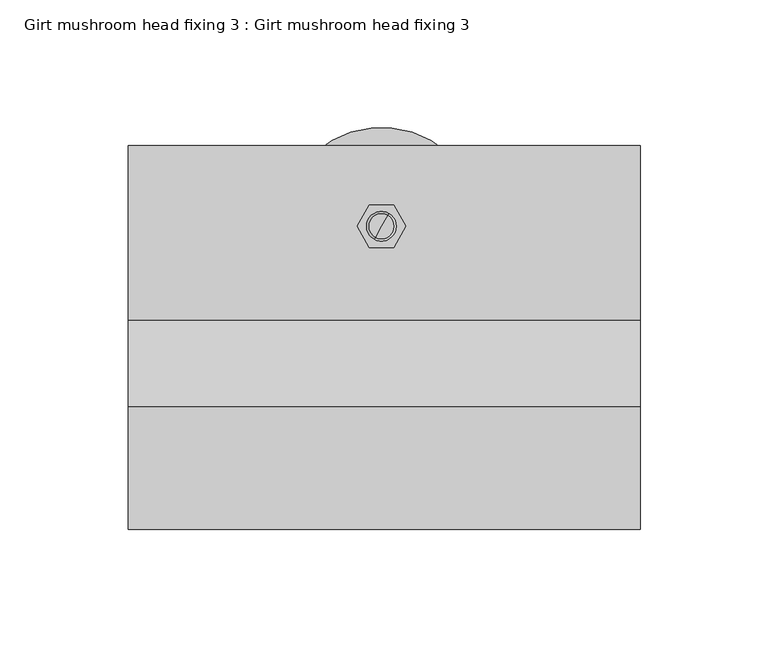
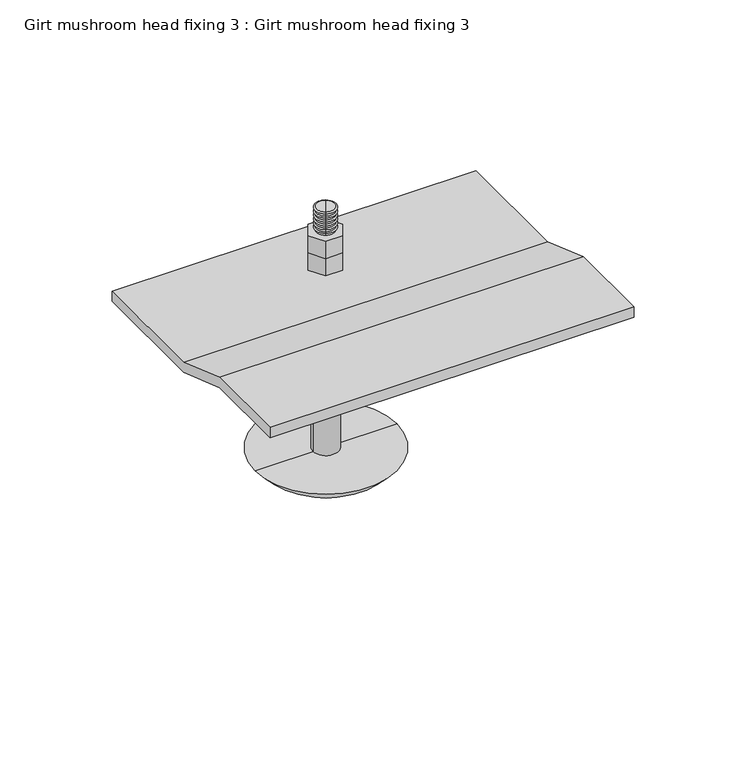
"""IFC4 building model written with IfcOpenShell, lengths in millimetres: proxy geometry, Girt mushroom head fixing 3 : Girt mushroom head fixing 3."""

from ifc_helpers import new_model, si_unit, point, frame, origin, place, context, project, spatial, polyline, circle_curve, ellipse_curve, trimmed, outline, extrude, source, transform, mapped, element, save
from ifc_brep_helpers import plane_surface, cylinder_surface, revolved_surface, advanced_brep


def girt_mushroom_head_fixing_3_girt_mushroom_head_fixing_3_af693da6(model_context):
    return source(origin(), model_context, "Body", "SolidModel", [
        extrude(outline(polyline([(43.75, -8.8923048), (34.25, -8.8923048), (29.5, -0.6650635), (34.25, 7.5621778), (43.75, 7.5621778), (48.5, -0.6650635), (43.75, -8.8923048)])), frame((0.0, 0.0, 16.0), z_axis=(0.0, 0.0, 1.0), x_axis=(1.0, 0.0, 0.0)), (0.0, 0.0, 1.0), 10.0),
        extrude(outline(polyline([(43.75, -8.8923048), (34.25, -8.8923048), (29.5, -0.6650635), (34.25, 7.5621778), (43.75, 7.5621778), (48.5, -0.6650635), (43.75, -8.8923048)])), frame((0.0, 0.0, 6.0), z_axis=(0.0, 0.0, 1.0), x_axis=(1.0, 0.0, 0.0)), (0.0, 0.0, 1.0), 10.0),
        advanced_brep(
        [(41.9059458, 4.3681823, 39.2693613), (36.0940542, -5.6983094, 39.2693613), (36.5, -4.9951905, 39.791923), (41.5, 3.6650635, 39.791923), (41.5, 3.6650635, 38.8006155), (36.5, -4.9951905, 38.8006155), (41.5, 3.6650635, 37.5216556), (36.5, -4.9951905, 37.5216556), (41.9059458, 4.3681823, 36.9990939), (36.0940542, -5.6983094, 36.9990939), (41.5, 3.6650635, 36.5303481), (36.5, -4.9951905, 36.5303481), (41.5, 3.6650635, 35.2513882), (36.5, -4.9951905, 35.2513882), (41.9059458, 4.3681823, 34.7288265), (36.0940542, -5.6983094, 34.7288265), (41.5, 3.6650635, 34.2600807), (36.5, -4.9951905, 34.2600807), (41.5, 3.6650635, 32.9811208), (36.5, -4.9951905, 32.9811208), (41.9059458, 4.3681823, 32.4585591), (36.0940542, -5.6983094, 32.4585591), (41.5, 3.6650635, 31.9898132), (36.5, -4.9951905, 31.9898132), (41.5, 3.6650635, 30.7108534), (36.5, -4.9951905, 30.7108534), (41.9059458, 4.3681823, 30.1882917), (36.0940542, -5.6983094, 30.1882917), (41.5, 3.6650635, 29.7195458), (36.5, -4.9951905, 29.7195458), (41.5, 3.6650635, 28.440586), (36.5, -4.9951905, 28.440586), (41.9059458, 4.3681823, 27.9180243), (36.0940542, -5.6983094, 27.9180243), (41.5, 3.6650635, 27.4492784), (36.5, -4.9951905, 27.4492784), (41.5, 3.6650635, 26.1703186), (36.5, -4.9951905, 26.1703186), (41.9059458, 4.3681823, 25.6477569), (36.0940542, -5.6983094, 25.6477569), (41.5, 3.6650635, 25.179011), (36.5, -4.9951905, 25.179011), (41.5, 3.6650635, 23.9000512), (36.5, -4.9951905, 23.9000512), (41.9059458, 4.3681823, 23.3774895), (36.0940542, -5.6983094, 23.3774895), (41.5, 3.6650635, 22.9087436), (36.5, -4.9951905, 22.9087436), (41.5, 3.6650635, 21.6297838), (36.5, -4.9951905, 21.6297838), (41.9059458, 4.3681823, 21.1072221), (36.0940542, -5.6983094, 21.1072221), (41.5, 3.6650635, 20.6384762), (36.5, -4.9951905, 20.6384762), (41.5, 3.6650635, 19.3595164), (36.5, -4.9951905, 19.3595164), (41.9059458, 4.3681823, 18.8369547), (36.0940542, -5.6983094, 18.8369547), (41.5, 3.6650635, 18.3682088), (36.5, -4.9951905, 18.3682088), (41.5, 3.6650635, 17.089249), (36.5, -4.9951905, 17.089249), (41.9059458, 4.3681823, 16.5666873), (36.0940542, -5.6983094, 16.5666873), (41.5, 3.6650635, 16.0979414), (36.5, -4.9951905, 16.0979414), (41.5, 3.6650635, 14.8189816), (36.5, -4.9951905, 14.8189816), (41.9059458, 4.3681823, 14.2964199), (36.0940542, -5.6983094, 14.2964199), (41.5, 3.6650635, 13.827674), (36.5, -4.9951905, 13.827674), (41.5, 3.6650635, 12.5487142), (36.5, -4.9951905, 12.5487142), (41.9059458, 4.3681823, 12.0261525), (36.0940542, -5.6983094, 12.0261525), (41.5, 3.6650635, 11.5574066), (36.5, -4.9951905, 11.5574066), (41.5, 3.6650635, 10.2784468), (36.5, -4.9951905, 10.2784468), (41.9059458, 4.3681823, 9.7558851), (36.0940542, -5.6983094, 9.7558851), (39.0, -0.6650635, 39.791923), (41.5, 3.6650635, 9.2871392), (36.5, -4.9951905, 9.2871392), (41.5, 3.6650635, 8.0081794), (36.5, -4.9951905, 8.0081794), (41.9059458, 4.3681823, 7.4856177), (36.0940542, -5.6983094, 7.4856177), (41.5, 3.6650635, 7.0168718), (36.5, -4.9951905, 7.0168718), (41.5, 3.6650635, 5.737912), (36.5, -4.9951905, 5.737912), (41.9059458, 4.3681823, 5.2153503), (36.0940542, -5.6983094, 5.2153503), (41.5, 3.6650635, 4.7466044), (36.5, -4.9951905, 4.7466044), (41.5, 3.6650635, 3.4676446), (36.5, -4.9951905, 3.4676446), (41.9059458, 4.3681823, 2.9450829), (36.0940542, -5.6983094, 2.9450829), (41.5, 3.6650635, 2.476337), (36.5, -4.9951905, 2.476337), (41.5, 3.6650635, 1.1973772), (36.5, -4.9951905, 1.1973772), (41.9059458, 4.3681823, 0.6748155), (36.0940542, -5.6983094, 0.6748155), (41.5, 3.6650635, 0.2060696), (36.5, -4.9951905, 0.2060696), (41.5, 3.6650635, -1.0728902), (36.5, -4.9951905, -1.0728902), (41.9059458, 4.3681823, -1.5954519), (36.0940542, -5.6983094, -1.5954519), (41.5, 3.6650635, -2.0641978), (36.5, -4.9951905, -2.0641978), (41.5, 3.6650635, -3.3431576), (36.5, -4.9951905, -3.3431576), (41.9059458, 4.3681823, -3.8657193), (36.0940542, -5.6983094, -3.8657193), (41.5, 3.6650635, -4.3344652), (36.5, -4.9951905, -4.3344652), (41.5, 3.6650635, -5.613425), (36.5, -4.9951905, -5.613425), (41.9059458, 4.3681823, -6.1359867), (36.0940542, -5.6983094, -6.1359867), (41.5, 3.6650635, -6.6047326), (36.5, -4.9951905, -6.6047326), (41.5, 3.6650635, -7.8836924), (36.5, -4.9951905, -7.8836924), (41.9059458, 4.3681823, -8.4062541), (36.0940542, -5.6983094, -8.4062541), (41.5, 3.6650635, -8.875), (36.5, -4.9951905, -8.875), (39.0, -0.6650635, -8.875)],
        [
            (0, 1, circle_curve(frame((39.0, -0.6650635, 39.2693613), z_axis=(0.0, 0.0, 1.0), x_axis=(-0.5000000000000034, -0.8660254037844367, 0.0)), 5.8118917)),
            (1, 2),
            (2, 3, circle_curve(frame((39.0, -0.6650635, 39.791923), z_axis=(0.0, 0.0, -1.0), x_axis=(-0.5000000000000034, -0.8660254037844367, 0.0)), 5.0)),
            (3, 0),
            (1, 0, circle_curve(frame((39.0, -0.6650635, 39.2693613), z_axis=(0.0, 0.0, 1.0), x_axis=(-0.5000000000000034, -0.8660254037844367, 0.0)), 5.8118917)),
            (3, 2, circle_curve(frame((39.0, -0.6650635, 39.791923), z_axis=(0.0, 0.0, -1.0), x_axis=(-0.5000000000000034, -0.8660254037844367, 0.0)), 5.0)),
            (4, 5, circle_curve(frame((39.0, -0.6650635, 38.8006155), z_axis=(0.0, 0.0, 1.0), x_axis=(-0.5000000000000034, -0.8660254037844367, 0.0)), 5.0)),
            (5, 1),
            (0, 4),
            (5, 4, circle_curve(frame((39.0, -0.6650635, 38.8006155), z_axis=(0.0, 0.0, 1.0), x_axis=(-0.5000000000000034, -0.8660254037844367, 0.0)), 5.0)),
            (6, 7, circle_curve(frame((39.0, -0.6650635, 37.5216556), z_axis=(0.0, 0.0, 1.0), x_axis=(-0.5000000000000034, -0.8660254037844367, 0.0)), 5.0)),
            (7, 5),
            (4, 6),
            (7, 6, circle_curve(frame((39.0, -0.6650635, 37.5216556), z_axis=(0.0, 0.0, 1.0), x_axis=(-0.5000000000000034, -0.8660254037844367, 0.0)), 5.0)),
            (8, 9, circle_curve(frame((39.0, -0.6650635, 36.9990939), z_axis=(0.0, 0.0, 1.0), x_axis=(-0.5000000000000034, -0.8660254037844367, 0.0)), 5.8118917)),
            (9, 7),
            (6, 8),
            (9, 8, circle_curve(frame((39.0, -0.6650635, 36.9990939), z_axis=(0.0, 0.0, 1.0), x_axis=(-0.5000000000000034, -0.8660254037844367, 0.0)), 5.8118917)),
            (10, 11, circle_curve(frame((39.0, -0.6650635, 36.5303481), z_axis=(0.0, 0.0, 1.0), x_axis=(-0.5000000000000034, -0.8660254037844367, 0.0)), 5.0)),
            (11, 9),
            (8, 10),
            (11, 10, circle_curve(frame((39.0, -0.6650635, 36.5303481), z_axis=(0.0, 0.0, 1.0), x_axis=(-0.5000000000000034, -0.8660254037844367, 0.0)), 5.0)),
            (12, 13, circle_curve(frame((39.0, -0.6650635, 35.2513882), z_axis=(0.0, 0.0, 1.0), x_axis=(-0.5000000000000034, -0.8660254037844367, 0.0)), 5.0)),
            (13, 11),
            (10, 12),
            (13, 12, circle_curve(frame((39.0, -0.6650635, 35.2513882), z_axis=(0.0, 0.0, 1.0), x_axis=(-0.5000000000000034, -0.8660254037844367, 0.0)), 5.0)),
            (14, 15, circle_curve(frame((39.0, -0.6650635, 34.7288265), z_axis=(0.0, 0.0, 1.0), x_axis=(-0.5000000000000034, -0.8660254037844367, 0.0)), 5.8118917)),
            (15, 13),
            (12, 14),
            (15, 14, circle_curve(frame((39.0, -0.6650635, 34.7288265), z_axis=(0.0, 0.0, 1.0), x_axis=(-0.5000000000000034, -0.8660254037844367, 0.0)), 5.8118917)),
            (16, 17, circle_curve(frame((39.0, -0.6650635, 34.2600807), z_axis=(0.0, 0.0, 1.0), x_axis=(-0.5000000000000034, -0.8660254037844367, 0.0)), 5.0)),
            (17, 15),
            (14, 16),
            (17, 16, circle_curve(frame((39.0, -0.6650635, 34.2600807), z_axis=(0.0, 0.0, 1.0), x_axis=(-0.5000000000000034, -0.8660254037844367, 0.0)), 5.0)),
            (18, 19, circle_curve(frame((39.0, -0.6650635, 32.9811208), z_axis=(0.0, 0.0, 1.0), x_axis=(-0.5000000000000034, -0.8660254037844367, 0.0)), 5.0)),
            (19, 17),
            (16, 18),
            (19, 18, circle_curve(frame((39.0, -0.6650635, 32.9811208), z_axis=(0.0, 0.0, 1.0), x_axis=(-0.5000000000000034, -0.8660254037844367, 0.0)), 5.0)),
            (20, 21, circle_curve(frame((39.0, -0.6650635, 32.4585591), z_axis=(0.0, 0.0, 1.0), x_axis=(-0.5000000000000034, -0.8660254037844367, 0.0)), 5.8118917)),
            (21, 19),
            (18, 20),
            (21, 20, circle_curve(frame((39.0, -0.6650635, 32.4585591), z_axis=(0.0, 0.0, 1.0), x_axis=(-0.5000000000000034, -0.8660254037844367, 0.0)), 5.8118917)),
            (22, 23, circle_curve(frame((39.0, -0.6650635, 31.9898132), z_axis=(0.0, 0.0, 1.0), x_axis=(-0.5000000000000034, -0.8660254037844367, 0.0)), 5.0)),
            (23, 21),
            (20, 22),
            (23, 22, circle_curve(frame((39.0, -0.6650635, 31.9898132), z_axis=(0.0, 0.0, 1.0), x_axis=(-0.5000000000000034, -0.8660254037844367, 0.0)), 5.0)),
            (24, 25, circle_curve(frame((39.0, -0.6650635, 30.7108534), z_axis=(0.0, 0.0, 1.0), x_axis=(-0.5000000000000034, -0.8660254037844367, 0.0)), 5.0)),
            (25, 23),
            (22, 24),
            (25, 24, circle_curve(frame((39.0, -0.6650635, 30.7108534), z_axis=(0.0, 0.0, 1.0), x_axis=(-0.5000000000000034, -0.8660254037844367, 0.0)), 5.0)),
            (26, 27, circle_curve(frame((39.0, -0.6650635, 30.1882917), z_axis=(0.0, 0.0, 1.0), x_axis=(-0.5000000000000034, -0.8660254037844367, 0.0)), 5.8118917)),
            (27, 25),
            (24, 26),
            (27, 26, circle_curve(frame((39.0, -0.6650635, 30.1882917), z_axis=(0.0, 0.0, 1.0), x_axis=(-0.5000000000000034, -0.8660254037844367, 0.0)), 5.8118917)),
            (28, 29, circle_curve(frame((39.0, -0.6650635, 29.7195458), z_axis=(0.0, 0.0, 1.0), x_axis=(-0.5000000000000034, -0.8660254037844367, 0.0)), 5.0)),
            (29, 27),
            (26, 28),
            (29, 28, circle_curve(frame((39.0, -0.6650635, 29.7195458), z_axis=(0.0, 0.0, 1.0), x_axis=(-0.5000000000000034, -0.8660254037844367, 0.0)), 5.0)),
            (30, 31, circle_curve(frame((39.0, -0.6650635, 28.440586), z_axis=(0.0, 0.0, 1.0), x_axis=(-0.5000000000000034, -0.8660254037844367, 0.0)), 5.0)),
            (31, 29),
            (28, 30),
            (31, 30, circle_curve(frame((39.0, -0.6650635, 28.440586), z_axis=(0.0, 0.0, 1.0), x_axis=(-0.5000000000000034, -0.8660254037844367, 0.0)), 5.0)),
            (32, 33, circle_curve(frame((39.0, -0.6650635, 27.9180243), z_axis=(0.0, 0.0, 1.0), x_axis=(-0.5000000000000034, -0.8660254037844367, 0.0)), 5.8118917)),
            (33, 31),
            (30, 32),
            (33, 32, circle_curve(frame((39.0, -0.6650635, 27.9180243), z_axis=(0.0, 0.0, 1.0), x_axis=(-0.5000000000000034, -0.8660254037844367, 0.0)), 5.8118917)),
            (34, 35, circle_curve(frame((39.0, -0.6650635, 27.4492784), z_axis=(0.0, 0.0, 1.0), x_axis=(-0.5000000000000034, -0.8660254037844367, 0.0)), 5.0)),
            (35, 33),
            (32, 34),
            (35, 34, circle_curve(frame((39.0, -0.6650635, 27.4492784), z_axis=(0.0, 0.0, 1.0), x_axis=(-0.5000000000000034, -0.8660254037844367, 0.0)), 5.0)),
            (36, 37, circle_curve(frame((39.0, -0.6650635, 26.1703186), z_axis=(0.0, 0.0, 1.0), x_axis=(-0.5000000000000034, -0.8660254037844367, 0.0)), 5.0)),
            (37, 35),
            (34, 36),
            (37, 36, circle_curve(frame((39.0, -0.6650635, 26.1703186), z_axis=(0.0, 0.0, 1.0), x_axis=(-0.5000000000000034, -0.8660254037844367, 0.0)), 5.0)),
            (38, 39, circle_curve(frame((39.0, -0.6650635, 25.6477569), z_axis=(0.0, 0.0, 1.0), x_axis=(-0.5000000000000034, -0.8660254037844367, 0.0)), 5.8118917)),
            (39, 37),
            (36, 38),
            (39, 38, circle_curve(frame((39.0, -0.6650635, 25.6477569), z_axis=(0.0, 0.0, 1.0), x_axis=(-0.5000000000000034, -0.8660254037844367, 0.0)), 5.8118917)),
            (40, 41, circle_curve(frame((39.0, -0.6650635, 25.179011), z_axis=(0.0, 0.0, 1.0), x_axis=(-0.5000000000000034, -0.8660254037844367, 0.0)), 5.0)),
            (41, 39),
            (38, 40),
            (41, 40, circle_curve(frame((39.0, -0.6650635, 25.179011), z_axis=(0.0, 0.0, 1.0), x_axis=(-0.5000000000000034, -0.8660254037844367, 0.0)), 5.0)),
            (42, 43, circle_curve(frame((39.0, -0.6650635, 23.9000512), z_axis=(0.0, 0.0, 1.0), x_axis=(-0.5000000000000034, -0.8660254037844367, 0.0)), 5.0)),
            (43, 41),
            (40, 42),
            (43, 42, circle_curve(frame((39.0, -0.6650635, 23.9000512), z_axis=(0.0, 0.0, 1.0), x_axis=(-0.5000000000000034, -0.8660254037844367, 0.0)), 5.0)),
            (44, 45, circle_curve(frame((39.0, -0.6650635, 23.3774895), z_axis=(0.0, 0.0, 1.0), x_axis=(-0.5000000000000034, -0.8660254037844367, 0.0)), 5.8118917)),
            (45, 43),
            (42, 44),
            (45, 44, circle_curve(frame((39.0, -0.6650635, 23.3774895), z_axis=(0.0, 0.0, 1.0), x_axis=(-0.5000000000000034, -0.8660254037844367, 0.0)), 5.8118917)),
            (46, 47, circle_curve(frame((39.0, -0.6650635, 22.9087436), z_axis=(0.0, 0.0, 1.0), x_axis=(-0.5000000000000034, -0.8660254037844367, 0.0)), 5.0)),
            (47, 45),
            (44, 46),
            (47, 46, circle_curve(frame((39.0, -0.6650635, 22.9087436), z_axis=(0.0, 0.0, 1.0), x_axis=(-0.5000000000000034, -0.8660254037844367, 0.0)), 5.0)),
            (48, 49, circle_curve(frame((39.0, -0.6650635, 21.6297838), z_axis=(0.0, 0.0, 1.0), x_axis=(-0.5000000000000034, -0.8660254037844367, 0.0)), 5.0)),
            (49, 47),
            (46, 48),
            (49, 48, circle_curve(frame((39.0, -0.6650635, 21.6297838), z_axis=(0.0, 0.0, 1.0), x_axis=(-0.5000000000000034, -0.8660254037844367, 0.0)), 5.0)),
            (50, 51, circle_curve(frame((39.0, -0.6650635, 21.1072221), z_axis=(0.0, 0.0, 1.0), x_axis=(-0.5000000000000034, -0.8660254037844367, 0.0)), 5.8118917)),
            (51, 49),
            (48, 50),
            (51, 50, circle_curve(frame((39.0, -0.6650635, 21.1072221), z_axis=(0.0, 0.0, 1.0), x_axis=(-0.5000000000000034, -0.8660254037844367, 0.0)), 5.8118917)),
            (52, 53, circle_curve(frame((39.0, -0.6650635, 20.6384762), z_axis=(0.0, 0.0, 1.0), x_axis=(-0.5000000000000034, -0.8660254037844367, 0.0)), 5.0)),
            (53, 51),
            (50, 52),
            (53, 52, circle_curve(frame((39.0, -0.6650635, 20.6384762), z_axis=(0.0, 0.0, 1.0), x_axis=(-0.5000000000000034, -0.8660254037844367, 0.0)), 5.0)),
            (54, 55, circle_curve(frame((39.0, -0.6650635, 19.3595164), z_axis=(0.0, 0.0, 1.0), x_axis=(-0.5000000000000034, -0.8660254037844367, 0.0)), 5.0)),
            (55, 53),
            (52, 54),
            (55, 54, circle_curve(frame((39.0, -0.6650635, 19.3595164), z_axis=(0.0, 0.0, 1.0), x_axis=(-0.5000000000000034, -0.8660254037844367, 0.0)), 5.0)),
            (56, 57, circle_curve(frame((39.0, -0.6650635, 18.8369547), z_axis=(0.0, 0.0, 1.0), x_axis=(-0.5000000000000034, -0.8660254037844367, 0.0)), 5.8118917)),
            (57, 55),
            (54, 56),
            (57, 56, circle_curve(frame((39.0, -0.6650635, 18.8369547), z_axis=(0.0, 0.0, 1.0), x_axis=(-0.5000000000000034, -0.8660254037844367, 0.0)), 5.8118917)),
            (58, 59, circle_curve(frame((39.0, -0.6650635, 18.3682088), z_axis=(0.0, 0.0, 1.0), x_axis=(-0.5000000000000034, -0.8660254037844367, 0.0)), 5.0)),
            (59, 57),
            (56, 58),
            (59, 58, circle_curve(frame((39.0, -0.6650635, 18.3682088), z_axis=(0.0, 0.0, 1.0), x_axis=(-0.5000000000000034, -0.8660254037844367, 0.0)), 5.0)),
            (60, 61, circle_curve(frame((39.0, -0.6650635, 17.089249), z_axis=(0.0, 0.0, 1.0), x_axis=(-0.5000000000000034, -0.8660254037844367, 0.0)), 5.0)),
            (61, 59),
            (58, 60),
            (61, 60, circle_curve(frame((39.0, -0.6650635, 17.089249), z_axis=(0.0, 0.0, 1.0), x_axis=(-0.5000000000000034, -0.8660254037844367, 0.0)), 5.0)),
            (62, 63, circle_curve(frame((39.0, -0.6650635, 16.5666873), z_axis=(0.0, 0.0, 1.0), x_axis=(-0.5000000000000034, -0.8660254037844367, 0.0)), 5.8118917)),
            (63, 61),
            (60, 62),
            (63, 62, circle_curve(frame((39.0, -0.6650635, 16.5666873), z_axis=(0.0, 0.0, 1.0), x_axis=(-0.5000000000000034, -0.8660254037844367, 0.0)), 5.8118917)),
            (64, 65, circle_curve(frame((39.0, -0.6650635, 16.0979414), z_axis=(0.0, 0.0, 1.0), x_axis=(-0.5000000000000034, -0.8660254037844367, 0.0)), 5.0)),
            (65, 63),
            (62, 64),
            (65, 64, circle_curve(frame((39.0, -0.6650635, 16.0979414), z_axis=(0.0, 0.0, 1.0), x_axis=(-0.5000000000000034, -0.8660254037844367, 0.0)), 5.0)),
            (66, 67, circle_curve(frame((39.0, -0.6650635, 14.8189816), z_axis=(0.0, 0.0, 1.0), x_axis=(-0.5000000000000034, -0.8660254037844367, 0.0)), 5.0)),
            (67, 65),
            (64, 66),
            (67, 66, circle_curve(frame((39.0, -0.6650635, 14.8189816), z_axis=(0.0, 0.0, 1.0), x_axis=(-0.5000000000000034, -0.8660254037844367, 0.0)), 5.0)),
            (68, 69, circle_curve(frame((39.0, -0.6650635, 14.2964199), z_axis=(0.0, 0.0, 1.0), x_axis=(-0.5000000000000034, -0.8660254037844367, 0.0)), 5.8118917)),
            (69, 67),
            (66, 68),
            (69, 68, circle_curve(frame((39.0, -0.6650635, 14.2964199), z_axis=(0.0, 0.0, 1.0), x_axis=(-0.5000000000000034, -0.8660254037844367, 0.0)), 5.8118917)),
            (70, 71, circle_curve(frame((39.0, -0.6650635, 13.827674), z_axis=(0.0, 0.0, 1.0), x_axis=(-0.5000000000000034, -0.8660254037844367, 0.0)), 5.0)),
            (71, 69),
            (68, 70),
            (71, 70, circle_curve(frame((39.0, -0.6650635, 13.827674), z_axis=(0.0, 0.0, 1.0), x_axis=(-0.5000000000000034, -0.8660254037844367, 0.0)), 5.0)),
            (72, 73, circle_curve(frame((39.0, -0.6650635, 12.5487142), z_axis=(0.0, 0.0, 1.0), x_axis=(-0.5000000000000034, -0.8660254037844367, 0.0)), 5.0)),
            (73, 71),
            (70, 72),
            (73, 72, circle_curve(frame((39.0, -0.6650635, 12.5487142), z_axis=(0.0, 0.0, 1.0), x_axis=(-0.5000000000000034, -0.8660254037844367, 0.0)), 5.0)),
            (74, 75, circle_curve(frame((39.0, -0.6650635, 12.0261525), z_axis=(0.0, 0.0, 1.0), x_axis=(-0.5000000000000034, -0.8660254037844367, 0.0)), 5.8118917)),
            (75, 73),
            (72, 74),
            (75, 74, circle_curve(frame((39.0, -0.6650635, 12.0261525), z_axis=(0.0, 0.0, 1.0), x_axis=(-0.5000000000000034, -0.8660254037844367, 0.0)), 5.8118917)),
            (76, 77, circle_curve(frame((39.0, -0.6650635, 11.5574066), z_axis=(0.0, 0.0, 1.0), x_axis=(-0.5000000000000034, -0.8660254037844367, 0.0)), 5.0)),
            (77, 75),
            (74, 76),
            (77, 76, circle_curve(frame((39.0, -0.6650635, 11.5574066), z_axis=(0.0, 0.0, 1.0), x_axis=(-0.5000000000000034, -0.8660254037844367, 0.0)), 5.0)),
            (78, 79, circle_curve(frame((39.0, -0.6650635, 10.2784468), z_axis=(0.0, 0.0, 1.0), x_axis=(-0.5000000000000034, -0.8660254037844367, 0.0)), 5.0)),
            (79, 77),
            (76, 78),
            (79, 78, circle_curve(frame((39.0, -0.6650635, 10.2784468), z_axis=(0.0, 0.0, 1.0), x_axis=(-0.5000000000000034, -0.8660254037844367, 0.0)), 5.0)),
            (80, 81, circle_curve(frame((39.0, -0.6650635, 9.7558851), z_axis=(0.0, 0.0, 1.0), x_axis=(-0.5000000000000034, -0.8660254037844367, 0.0)), 5.8118917)),
            (81, 79),
            (78, 80),
            (81, 80, circle_curve(frame((39.0, -0.6650635, 9.7558851), z_axis=(0.0, 0.0, 1.0), x_axis=(-0.5000000000000034, -0.8660254037844367, 0.0)), 5.8118917)),
            (2, 82),
            (82, 3),
            (83, 84, circle_curve(frame((39.0, -0.6650635, 9.2871392), z_axis=(0.0, 0.0, 1.0), x_axis=(-0.5000000000000034, -0.8660254037844367, 0.0)), 5.0)),
            (84, 81),
            (80, 83),
            (84, 83, circle_curve(frame((39.0, -0.6650635, 9.2871392), z_axis=(0.0, 0.0, 1.0), x_axis=(-0.5000000000000034, -0.8660254037844367, 0.0)), 5.0)),
            (85, 86, circle_curve(frame((39.0, -0.6650635, 8.0081794), z_axis=(0.0, 0.0, 1.0), x_axis=(-0.5000000000000034, -0.8660254037844367, 0.0)), 5.0)),
            (86, 84),
            (83, 85),
            (86, 85, circle_curve(frame((39.0, -0.6650635, 8.0081794), z_axis=(0.0, 0.0, 1.0), x_axis=(-0.5000000000000034, -0.8660254037844367, 0.0)), 5.0)),
            (87, 88, circle_curve(frame((39.0, -0.6650635, 7.4856177), z_axis=(0.0, 0.0, 1.0), x_axis=(-0.5000000000000034, -0.8660254037844367, 0.0)), 5.8118917)),
            (88, 86),
            (85, 87),
            (88, 87, circle_curve(frame((39.0, -0.6650635, 7.4856177), z_axis=(0.0, 0.0, 1.0), x_axis=(-0.5000000000000034, -0.8660254037844367, 0.0)), 5.8118917)),
            (89, 90, circle_curve(frame((39.0, -0.6650635, 7.0168718), z_axis=(0.0, 0.0, 1.0), x_axis=(-0.5000000000000034, -0.8660254037844367, 0.0)), 5.0)),
            (90, 88),
            (87, 89),
            (90, 89, circle_curve(frame((39.0, -0.6650635, 7.0168718), z_axis=(0.0, 0.0, 1.0), x_axis=(-0.5000000000000034, -0.8660254037844367, 0.0)), 5.0)),
            (91, 92, circle_curve(frame((39.0, -0.6650635, 5.737912), z_axis=(0.0, 0.0, 1.0), x_axis=(-0.5000000000000034, -0.8660254037844367, 0.0)), 5.0)),
            (92, 90),
            (89, 91),
            (92, 91, circle_curve(frame((39.0, -0.6650635, 5.737912), z_axis=(0.0, 0.0, 1.0), x_axis=(-0.5000000000000034, -0.8660254037844367, 0.0)), 5.0)),
            (93, 94, circle_curve(frame((39.0, -0.6650635, 5.2153503), z_axis=(0.0, 0.0, 1.0), x_axis=(-0.5000000000000034, -0.8660254037844367, 0.0)), 5.8118917)),
            (94, 92),
            (91, 93),
            (94, 93, circle_curve(frame((39.0, -0.6650635, 5.2153503), z_axis=(0.0, 0.0, 1.0), x_axis=(-0.5000000000000034, -0.8660254037844367, 0.0)), 5.8118917)),
            (95, 96, circle_curve(frame((39.0, -0.6650635, 4.7466044), z_axis=(0.0, 0.0, 1.0), x_axis=(-0.5000000000000034, -0.8660254037844367, 0.0)), 5.0)),
            (96, 94),
            (93, 95),
            (96, 95, circle_curve(frame((39.0, -0.6650635, 4.7466044), z_axis=(0.0, 0.0, 1.0), x_axis=(-0.5000000000000034, -0.8660254037844367, 0.0)), 5.0)),
            (97, 98, circle_curve(frame((39.0, -0.6650635, 3.4676446), z_axis=(0.0, 0.0, 1.0), x_axis=(-0.5000000000000034, -0.8660254037844367, 0.0)), 5.0)),
            (98, 96),
            (95, 97),
            (98, 97, circle_curve(frame((39.0, -0.6650635, 3.4676446), z_axis=(0.0, 0.0, 1.0), x_axis=(-0.5000000000000034, -0.8660254037844367, 0.0)), 5.0)),
            (99, 100, circle_curve(frame((39.0, -0.6650635, 2.9450829), z_axis=(0.0, 0.0, 1.0), x_axis=(-0.5000000000000034, -0.8660254037844367, 0.0)), 5.8118917)),
            (100, 98),
            (97, 99),
            (100, 99, circle_curve(frame((39.0, -0.6650635, 2.9450829), z_axis=(0.0, 0.0, 1.0), x_axis=(-0.5000000000000034, -0.8660254037844367, 0.0)), 5.8118917)),
            (101, 102, circle_curve(frame((39.0, -0.6650635, 2.476337), z_axis=(0.0, 0.0, 1.0), x_axis=(-0.5000000000000034, -0.8660254037844367, 0.0)), 5.0)),
            (102, 100),
            (99, 101),
            (102, 101, circle_curve(frame((39.0, -0.6650635, 2.476337), z_axis=(0.0, 0.0, 1.0), x_axis=(-0.5000000000000034, -0.8660254037844367, 0.0)), 5.0)),
            (103, 104, circle_curve(frame((39.0, -0.6650635, 1.1973772), z_axis=(0.0, 0.0, 1.0), x_axis=(-0.5000000000000034, -0.8660254037844367, 0.0)), 5.0)),
            (104, 102),
            (101, 103),
            (104, 103, circle_curve(frame((39.0, -0.6650635, 1.1973772), z_axis=(0.0, 0.0, 1.0), x_axis=(-0.5000000000000034, -0.8660254037844367, 0.0)), 5.0)),
            (105, 106, circle_curve(frame((39.0, -0.6650635, 0.6748155), z_axis=(0.0, 0.0, 1.0), x_axis=(-0.5000000000000034, -0.8660254037844367, 0.0)), 5.8118917)),
            (106, 104),
            (103, 105),
            (106, 105, circle_curve(frame((39.0, -0.6650635, 0.6748155), z_axis=(0.0, 0.0, 1.0), x_axis=(-0.5000000000000034, -0.8660254037844367, 0.0)), 5.8118917)),
            (107, 108, circle_curve(frame((39.0, -0.6650635, 0.2060696), z_axis=(0.0, 0.0, 1.0), x_axis=(-0.5000000000000034, -0.8660254037844367, 0.0)), 5.0)),
            (108, 106),
            (105, 107),
            (108, 107, circle_curve(frame((39.0, -0.6650635, 0.2060696), z_axis=(0.0, 0.0, 1.0), x_axis=(-0.5000000000000034, -0.8660254037844367, 0.0)), 5.0)),
            (109, 110, circle_curve(frame((39.0, -0.6650635, -1.0728902), z_axis=(0.0, 0.0, 1.0), x_axis=(-0.5000000000000034, -0.8660254037844367, 0.0)), 5.0)),
            (110, 108),
            (107, 109),
            (110, 109, circle_curve(frame((39.0, -0.6650635, -1.0728902), z_axis=(0.0, 0.0, 1.0), x_axis=(-0.5000000000000034, -0.8660254037844367, 0.0)), 5.0)),
            (111, 112, circle_curve(frame((39.0, -0.6650635, -1.5954519), z_axis=(0.0, 0.0, 1.0), x_axis=(-0.5000000000000034, -0.8660254037844367, 0.0)), 5.8118917)),
            (112, 110),
            (109, 111),
            (112, 111, circle_curve(frame((39.0, -0.6650635, -1.5954519), z_axis=(0.0, 0.0, 1.0), x_axis=(-0.5000000000000034, -0.8660254037844367, 0.0)), 5.8118917)),
            (113, 114, circle_curve(frame((39.0, -0.6650635, -2.0641978), z_axis=(0.0, 0.0, 1.0), x_axis=(-0.5000000000000034, -0.8660254037844367, 0.0)), 5.0)),
            (114, 112),
            (111, 113),
            (114, 113, circle_curve(frame((39.0, -0.6650635, -2.0641978), z_axis=(0.0, 0.0, 1.0), x_axis=(-0.5000000000000034, -0.8660254037844367, 0.0)), 5.0)),
            (115, 116, circle_curve(frame((39.0, -0.6650635, -3.3431576), z_axis=(0.0, 0.0, 1.0), x_axis=(-0.5000000000000034, -0.8660254037844367, 0.0)), 5.0)),
            (116, 114),
            (113, 115),
            (116, 115, circle_curve(frame((39.0, -0.6650635, -3.3431576), z_axis=(0.0, 0.0, 1.0), x_axis=(-0.5000000000000034, -0.8660254037844367, 0.0)), 5.0)),
            (117, 118, circle_curve(frame((39.0, -0.6650635, -3.8657193), z_axis=(0.0, 0.0, 1.0), x_axis=(-0.5000000000000034, -0.8660254037844367, 0.0)), 5.8118917)),
            (118, 116),
            (115, 117),
            (118, 117, circle_curve(frame((39.0, -0.6650635, -3.8657193), z_axis=(0.0, 0.0, 1.0), x_axis=(-0.5000000000000034, -0.8660254037844367, 0.0)), 5.8118917)),
            (119, 120, circle_curve(frame((39.0, -0.6650635, -4.3344652), z_axis=(0.0, 0.0, 1.0), x_axis=(-0.5000000000000034, -0.8660254037844367, 0.0)), 5.0)),
            (120, 118),
            (117, 119),
            (120, 119, circle_curve(frame((39.0, -0.6650635, -4.3344652), z_axis=(0.0, 0.0, 1.0), x_axis=(-0.5000000000000034, -0.8660254037844367, 0.0)), 5.0)),
            (121, 122, circle_curve(frame((39.0, -0.6650635, -5.613425), z_axis=(0.0, 0.0, 1.0), x_axis=(-0.5000000000000034, -0.8660254037844367, 0.0)), 5.0)),
            (122, 120),
            (119, 121),
            (122, 121, circle_curve(frame((39.0, -0.6650635, -5.613425), z_axis=(0.0, 0.0, 1.0), x_axis=(-0.5000000000000034, -0.8660254037844367, 0.0)), 5.0)),
            (123, 124, circle_curve(frame((39.0, -0.6650635, -6.1359867), z_axis=(0.0, 0.0, 1.0), x_axis=(-0.5000000000000034, -0.8660254037844367, 0.0)), 5.8118917)),
            (124, 122),
            (121, 123),
            (124, 123, circle_curve(frame((39.0, -0.6650635, -6.1359867), z_axis=(0.0, 0.0, 1.0), x_axis=(-0.5000000000000034, -0.8660254037844367, 0.0)), 5.8118917)),
            (125, 126, circle_curve(frame((39.0, -0.6650635, -6.6047326), z_axis=(0.0, 0.0, 1.0), x_axis=(-0.5000000000000034, -0.8660254037844367, 0.0)), 5.0)),
            (126, 124),
            (123, 125),
            (126, 125, circle_curve(frame((39.0, -0.6650635, -6.6047326), z_axis=(0.0, 0.0, 1.0), x_axis=(-0.5000000000000034, -0.8660254037844367, 0.0)), 5.0)),
            (127, 128, circle_curve(frame((39.0, -0.6650635, -7.8836924), z_axis=(0.0, 0.0, 1.0), x_axis=(-0.5000000000000034, -0.8660254037844367, 0.0)), 5.0)),
            (128, 126),
            (125, 127),
            (128, 127, circle_curve(frame((39.0, -0.6650635, -7.8836924), z_axis=(0.0, 0.0, 1.0), x_axis=(-0.5000000000000034, -0.8660254037844367, 0.0)), 5.0)),
            (129, 130, circle_curve(frame((39.0, -0.6650635, -8.4062541), z_axis=(0.0, 0.0, 1.0), x_axis=(-0.5000000000000034, -0.8660254037844367, 0.0)), 5.8118917)),
            (130, 128),
            (127, 129),
            (130, 129, circle_curve(frame((39.0, -0.6650635, -8.4062541), z_axis=(0.0, 0.0, 1.0), x_axis=(-0.5000000000000034, -0.8660254037844367, 0.0)), 5.8118917)),
            (131, 132, circle_curve(frame((39.0, -0.6650635, -8.875), z_axis=(0.0, 0.0, 1.0), x_axis=(-0.5000000000000034, -0.8660254037844367, 0.0)), 5.0)),
            (132, 130),
            (129, 131),
            (132, 131, circle_curve(frame((39.0, -0.6650635, -8.875), z_axis=(0.0, 0.0, 1.0), x_axis=(-0.5000000000000034, -0.8660254037844367, 0.0)), 5.0)),
            (133, 132),
            (131, 133),
        ],
        [
            revolved_surface(polyline([(36.5, -4.9951905, 39.791923), (36.0940542, -5.6983094, 39.2693613)]), (39.0, -0.6650635, -31.4023349), (0.0, 0.0, -1.0)),
            revolved_surface(polyline([(36.0940542, -5.6983094, 39.2693613), (36.5, -4.9951905, 38.8006155)]), (39.0, -0.6650635, -31.4023349), (0.0, 0.0, -1.0)),
            cylinder_surface(frame((39.0, -0.6650635, -31.4023349), z_axis=(0.0, 0.0, -1.0), x_axis=(-0.5000000000000034, -0.8660254037844367, 0.0)), 5.0),
            revolved_surface(polyline([(36.5, -4.9951905, 37.5216556), (36.0940542, -5.6983094, 36.9990939)]), (39.0, -0.6650635, -31.4023349), (0.0, 0.0, -1.0)),
            revolved_surface(polyline([(36.0940542, -5.6983094, 36.9990939), (36.5, -4.9951905, 36.5303481)]), (39.0, -0.6650635, -31.4023349), (0.0, 0.0, -1.0)),
            revolved_surface(polyline([(36.5, -4.9951905, 35.2513882), (36.0940542, -5.6983094, 34.7288265)]), (39.0, -0.6650635, -31.4023349), (0.0, 0.0, -1.0)),
            revolved_surface(polyline([(36.0940542, -5.6983094, 34.7288265), (36.5, -4.9951905, 34.2600807)]), (39.0, -0.6650635, -31.4023349), (0.0, 0.0, -1.0)),
            revolved_surface(polyline([(36.5, -4.9951905, 32.9811208), (36.0940542, -5.6983094, 32.4585591)]), (39.0, -0.6650635, -31.4023349), (0.0, 0.0, -1.0)),
            revolved_surface(polyline([(36.0940542, -5.6983094, 32.4585591), (36.5, -4.9951905, 31.9898132)]), (39.0, -0.6650635, -31.4023349), (0.0, 0.0, -1.0)),
            revolved_surface(polyline([(36.5, -4.9951905, 30.7108534), (36.0940542, -5.6983094, 30.1882917)]), (39.0, -0.6650635, -31.4023349), (0.0, 0.0, -1.0)),
            revolved_surface(polyline([(36.0940542, -5.6983094, 30.1882917), (36.5, -4.9951905, 29.7195458)]), (39.0, -0.6650635, -31.4023349), (0.0, 0.0, -1.0)),
            revolved_surface(polyline([(36.5, -4.9951905, 28.440586), (36.0940542, -5.6983094, 27.9180243)]), (39.0, -0.6650635, -31.4023349), (0.0, 0.0, -1.0)),
            revolved_surface(polyline([(36.0940542, -5.6983094, 27.9180243), (36.5, -4.9951905, 27.4492784)]), (39.0, -0.6650635, -31.4023349), (0.0, 0.0, -1.0)),
            revolved_surface(polyline([(36.5, -4.9951905, 26.1703186), (36.0940542, -5.6983094, 25.6477569)]), (39.0, -0.6650635, -31.4023349), (0.0, 0.0, -1.0)),
            revolved_surface(polyline([(36.0940542, -5.6983094, 25.6477569), (36.5, -4.9951905, 25.179011)]), (39.0, -0.6650635, -31.4023349), (0.0, 0.0, -1.0)),
            revolved_surface(polyline([(36.5, -4.9951905, 23.9000512), (36.0940542, -5.6983094, 23.3774895)]), (39.0, -0.6650635, -31.4023349), (0.0, 0.0, -1.0)),
            revolved_surface(polyline([(36.0940542, -5.6983094, 23.3774895), (36.5, -4.9951905, 22.9087436)]), (39.0, -0.6650635, -31.4023349), (0.0, 0.0, -1.0)),
            revolved_surface(polyline([(36.5, -4.9951905, 21.6297838), (36.0940542, -5.6983094, 21.1072221)]), (39.0, -0.6650635, -31.4023349), (0.0, 0.0, -1.0)),
            revolved_surface(polyline([(36.0940542, -5.6983094, 21.1072221), (36.5, -4.9951905, 20.6384762)]), (39.0, -0.6650635, -31.4023349), (0.0, 0.0, -1.0)),
            revolved_surface(polyline([(36.5, -4.9951905, 19.3595164), (36.0940542, -5.6983094, 18.8369547)]), (39.0, -0.6650635, -31.4023349), (0.0, 0.0, -1.0)),
            revolved_surface(polyline([(36.0940542, -5.6983094, 18.8369547), (36.5, -4.9951905, 18.3682088)]), (39.0, -0.6650635, -31.4023349), (0.0, 0.0, -1.0)),
            revolved_surface(polyline([(36.5, -4.9951905, 17.089249), (36.0940542, -5.6983094, 16.5666873)]), (39.0, -0.6650635, -31.4023349), (0.0, 0.0, -1.0)),
            revolved_surface(polyline([(36.0940542, -5.6983094, 16.5666873), (36.5, -4.9951905, 16.0979414)]), (39.0, -0.6650635, -31.4023349), (0.0, 0.0, -1.0)),
            revolved_surface(polyline([(36.5, -4.9951905, 14.8189816), (36.0940542, -5.6983094, 14.2964199)]), (39.0, -0.6650635, -31.4023349), (0.0, 0.0, -1.0)),
            revolved_surface(polyline([(36.0940542, -5.6983094, 14.2964199), (36.5, -4.9951905, 13.827674)]), (39.0, -0.6650635, -31.4023349), (0.0, 0.0, -1.0)),
            revolved_surface(polyline([(36.5, -4.9951905, 12.5487142), (36.0940542, -5.6983094, 12.0261525)]), (39.0, -0.6650635, -31.4023349), (0.0, 0.0, -1.0)),
            revolved_surface(polyline([(36.0940542, -5.6983094, 12.0261525), (36.5, -4.9951905, 11.5574066)]), (39.0, -0.6650635, -31.4023349), (0.0, 0.0, -1.0)),
            revolved_surface(polyline([(36.5, -4.9951905, 10.2784468), (36.0940542, -5.6983094, 9.7558851)]), (39.0, -0.6650635, -31.4023349), (0.0, 0.0, -1.0)),
            plane_surface(frame((39.0, -0.6650635, 39.791923), z_axis=(0.0, 0.0, 1.0), x_axis=(-0.5000000000000034, -0.8660254037844367, 0.0))),
            revolved_surface(polyline([(36.0940542, -5.6983094, 9.7558851), (36.5, -4.9951905, 9.2871392)]), (39.0, -0.6650635, -31.4023349), (0.0, 0.0, -1.0)),
            revolved_surface(polyline([(36.5, -4.9951905, 8.0081794), (36.0940542, -5.6983094, 7.4856177)]), (39.0, -0.6650635, -31.4023349), (0.0, 0.0, -1.0)),
            revolved_surface(polyline([(36.0940542, -5.6983094, 7.4856177), (36.5, -4.9951905, 7.0168718)]), (39.0, -0.6650635, -31.4023349), (0.0, 0.0, -1.0)),
            revolved_surface(polyline([(36.5, -4.9951905, 5.737912), (36.0940542, -5.6983094, 5.2153503)]), (39.0, -0.6650635, -31.4023349), (0.0, 0.0, -1.0)),
            revolved_surface(polyline([(36.0940542, -5.6983094, 5.2153503), (36.5, -4.9951905, 4.7466044)]), (39.0, -0.6650635, -31.4023349), (0.0, 0.0, -1.0)),
            revolved_surface(polyline([(36.5, -4.9951905, 3.4676446), (36.0940542, -5.6983094, 2.9450829)]), (39.0, -0.6650635, -31.4023349), (0.0, 0.0, -1.0)),
            revolved_surface(polyline([(36.0940542, -5.6983094, 2.9450829), (36.5, -4.9951905, 2.476337)]), (39.0, -0.6650635, -31.4023349), (0.0, 0.0, -1.0)),
            revolved_surface(polyline([(36.5, -4.9951905, 1.1973772), (36.0940542, -5.6983094, 0.6748155)]), (39.0, -0.6650635, -31.4023349), (0.0, 0.0, -1.0)),
            revolved_surface(polyline([(36.0940542, -5.6983094, 0.6748155), (36.5, -4.9951905, 0.2060696)]), (39.0, -0.6650635, -31.4023349), (0.0, 0.0, -1.0)),
            revolved_surface(polyline([(36.5, -4.9951905, -1.0728902), (36.0940542, -5.6983094, -1.5954519)]), (39.0, -0.6650635, -31.4023349), (0.0, 0.0, -1.0)),
            revolved_surface(polyline([(36.0940542, -5.6983094, -1.5954519), (36.5, -4.9951905, -2.0641978)]), (39.0, -0.6650635, -31.4023349), (0.0, 0.0, -1.0)),
            revolved_surface(polyline([(36.5, -4.9951905, -3.3431576), (36.0940542, -5.6983094, -3.8657193)]), (39.0, -0.6650635, -31.4023349), (0.0, 0.0, -1.0)),
            revolved_surface(polyline([(36.0940542, -5.6983094, -3.8657193), (36.5, -4.9951905, -4.3344652)]), (39.0, -0.6650635, -31.4023349), (0.0, 0.0, -1.0)),
            revolved_surface(polyline([(36.5, -4.9951905, -5.613425), (36.0940542, -5.6983094, -6.1359867)]), (39.0, -0.6650635, -31.4023349), (0.0, 0.0, -1.0)),
            revolved_surface(polyline([(36.0940542, -5.6983094, -6.1359867), (36.5, -4.9951905, -6.6047326)]), (39.0, -0.6650635, -31.4023349), (0.0, 0.0, -1.0)),
            revolved_surface(polyline([(36.5, -4.9951905, -7.8836924), (36.0940542, -5.6983094, -8.4062541)]), (39.0, -0.6650635, -31.4023349), (0.0, 0.0, -1.0)),
            revolved_surface(polyline([(36.0940542, -5.6983094, -8.4062541), (36.5, -4.9951905, -8.875)]), (39.0, -0.6650635, -31.4023349), (0.0, 0.0, -1.0)),
            plane_surface(frame((39.0, -0.6650635, -8.875), z_axis=(0.0, 0.0, -1.0), x_axis=(-0.5000000000000034, -0.8660254037844367, 0.0))),
        ],
        [
            (0, [[1, 2, 3, 4]]),
            (0, [[5, -4, 6, -2]]),
            (1, [[7, 8, -1, 9]]),
            (1, [[10, -9, -5, -8]]),
            (2, [[11, 12, -7, 13]]),
            (2, [[14, -13, -10, -12]]),
            (3, [[15, 16, -11, 17]]),
            (3, [[18, -17, -14, -16]]),
            (4, [[19, 20, -15, 21]]),
            (4, [[22, -21, -18, -20]]),
            (2, [[23, 24, -19, 25]]),
            (2, [[26, -25, -22, -24]]),
            (5, [[27, 28, -23, 29]]),
            (5, [[30, -29, -26, -28]]),
            (6, [[31, 32, -27, 33]]),
            (6, [[34, -33, -30, -32]]),
            (2, [[35, 36, -31, 37]]),
            (2, [[38, -37, -34, -36]]),
            (7, [[39, 40, -35, 41]]),
            (7, [[42, -41, -38, -40]]),
            (8, [[43, 44, -39, 45]]),
            (8, [[46, -45, -42, -44]]),
            (2, [[47, 48, -43, 49]]),
            (2, [[50, -49, -46, -48]]),
            (9, [[51, 52, -47, 53]]),
            (9, [[54, -53, -50, -52]]),
            (10, [[55, 56, -51, 57]]),
            (10, [[58, -57, -54, -56]]),
            (2, [[59, 60, -55, 61]]),
            (2, [[62, -61, -58, -60]]),
            (11, [[63, 64, -59, 65]]),
            (11, [[66, -65, -62, -64]]),
            (12, [[67, 68, -63, 69]]),
            (12, [[70, -69, -66, -68]]),
            (2, [[71, 72, -67, 73]]),
            (2, [[74, -73, -70, -72]]),
            (13, [[75, 76, -71, 77]]),
            (13, [[78, -77, -74, -76]]),
            (14, [[79, 80, -75, 81]]),
            (14, [[82, -81, -78, -80]]),
            (2, [[83, 84, -79, 85]]),
            (2, [[86, -85, -82, -84]]),
            (15, [[87, 88, -83, 89]]),
            (15, [[90, -89, -86, -88]]),
            (16, [[91, 92, -87, 93]]),
            (16, [[94, -93, -90, -92]]),
            (2, [[95, 96, -91, 97]]),
            (2, [[98, -97, -94, -96]]),
            (17, [[99, 100, -95, 101]]),
            (17, [[102, -101, -98, -100]]),
            (18, [[103, 104, -99, 105]]),
            (18, [[106, -105, -102, -104]]),
            (2, [[107, 108, -103, 109]]),
            (2, [[110, -109, -106, -108]]),
            (19, [[111, 112, -107, 113]]),
            (19, [[114, -113, -110, -112]]),
            (20, [[115, 116, -111, 117]]),
            (20, [[118, -117, -114, -116]]),
            (2, [[119, 120, -115, 121]]),
            (2, [[122, -121, -118, -120]]),
            (21, [[123, 124, -119, 125]]),
            (21, [[126, -125, -122, -124]]),
            (22, [[127, 128, -123, 129]]),
            (22, [[130, -129, -126, -128]]),
            (2, [[131, 132, -127, 133]]),
            (2, [[134, -133, -130, -132]]),
            (23, [[135, 136, -131, 137]]),
            (23, [[138, -137, -134, -136]]),
            (24, [[139, 140, -135, 141]]),
            (24, [[142, -141, -138, -140]]),
            (2, [[143, 144, -139, 145]]),
            (2, [[146, -145, -142, -144]]),
            (25, [[147, 148, -143, 149]]),
            (25, [[150, -149, -146, -148]]),
            (26, [[151, 152, -147, 153]]),
            (26, [[154, -153, -150, -152]]),
            (2, [[155, 156, -151, 157]]),
            (2, [[158, -157, -154, -156]]),
            (27, [[159, 160, -155, 161]]),
            (27, [[162, -161, -158, -160]]),
            (28, [[-3, 163, 164]]),
            (28, [[-6, -164, -163]]),
            (29, [[165, 166, -159, 167]]),
            (29, [[168, -167, -162, -166]]),
            (2, [[169, 170, -165, 171]]),
            (2, [[172, -171, -168, -170]]),
            (30, [[173, 174, -169, 175]]),
            (30, [[176, -175, -172, -174]]),
            (31, [[177, 178, -173, 179]]),
            (31, [[180, -179, -176, -178]]),
            (2, [[181, 182, -177, 183]]),
            (2, [[184, -183, -180, -182]]),
            (32, [[185, 186, -181, 187]]),
            (32, [[188, -187, -184, -186]]),
            (33, [[189, 190, -185, 191]]),
            (33, [[192, -191, -188, -190]]),
            (2, [[193, 194, -189, 195]]),
            (2, [[196, -195, -192, -194]]),
            (34, [[197, 198, -193, 199]]),
            (34, [[200, -199, -196, -198]]),
            (35, [[201, 202, -197, 203]]),
            (35, [[204, -203, -200, -202]]),
            (2, [[205, 206, -201, 207]]),
            (2, [[208, -207, -204, -206]]),
            (36, [[209, 210, -205, 211]]),
            (36, [[212, -211, -208, -210]]),
            (37, [[213, 214, -209, 215]]),
            (37, [[216, -215, -212, -214]]),
            (2, [[217, 218, -213, 219]]),
            (2, [[220, -219, -216, -218]]),
            (38, [[221, 222, -217, 223]]),
            (38, [[224, -223, -220, -222]]),
            (39, [[225, 226, -221, 227]]),
            (39, [[228, -227, -224, -226]]),
            (2, [[229, 230, -225, 231]]),
            (2, [[232, -231, -228, -230]]),
            (40, [[233, 234, -229, 235]]),
            (40, [[236, -235, -232, -234]]),
            (41, [[237, 238, -233, 239]]),
            (41, [[240, -239, -236, -238]]),
            (2, [[241, 242, -237, 243]]),
            (2, [[244, -243, -240, -242]]),
            (42, [[245, 246, -241, 247]]),
            (42, [[248, -247, -244, -246]]),
            (43, [[249, 250, -245, 251]]),
            (43, [[252, -251, -248, -250]]),
            (2, [[253, 254, -249, 255]]),
            (2, [[256, -255, -252, -254]]),
            (44, [[257, 258, -253, 259]]),
            (44, [[260, -259, -256, -258]]),
            (45, [[261, 262, -257, 263]]),
            (45, [[264, -263, -260, -262]]),
            (46, [[265, -261, 266]]),
            (46, [[-266, -264, -265]]),
        ],
    ),
        extrude(outline(polyline([(-71.3508481, 17.8125), (-37.2258481, 6.0), (30.7741519, 6.0), (30.7741519, 0.0), (-37.2258481, 0.0), (-71.3508481, 11.8125), (-119.2258481, 11.8125), (-119.2258481, 17.8125), (-71.3508481, 17.8125)])), frame((-60.0, 0.0, 0.0), z_axis=(1.0, 0.0, 0.0), x_axis=(0.0, 1.0, 0.0)), (0.0, 0.0, 1.0), 200.0),
        advanced_brep(
        [(39.003175, -1.0, 3.0), (46.0235745, -1.0, 3.0), (31.9827755, -1.0, 3.0), (31.9827755, -1.0, -100.0), (46.0235745, -1.0, -100.0), (39.003175, -1.0, -100.0)],
        [
            (0, 1),
            (1, 2, circle_curve(frame((39.003175, -1.0, 3.0), z_axis=(0.0, 0.0, 1.0), x_axis=(1.0, 0.0, 0.0)), 7.0203995)),
            (2, 0),
            (2, 1, circle_curve(frame((39.003175, -1.0, 3.0), z_axis=(0.0, 0.0, 1.0), x_axis=(1.0, 0.0, 0.0)), 7.0203995)),
            (3, 4, circle_curve(frame((39.003175, -1.0, -100.0), z_axis=(0.0, 0.0, -1.0), x_axis=(1.0, 0.0, 0.0)), 7.0203995)),
            (4, 5),
            (5, 3),
            (4, 3, circle_curve(frame((39.003175, -1.0, -100.0), z_axis=(0.0, 0.0, -1.0), x_axis=(1.0, 0.0, 0.0)), 7.0203995)),
            (1, 4),
            (3, 2),
        ],
        [
            plane_surface(frame((39.003175, -1.0, 3.0), z_axis=(0.0, 0.0, 1.0), x_axis=(1.0, 0.0, 0.0))),
            plane_surface(frame((39.003175, -1.0, -100.0), z_axis=(0.0, 0.0, -1.0), x_axis=(1.0, 0.0, 0.0))),
            cylinder_surface(frame((39.003175, -1.0, 3.0), z_axis=(0.0, 0.0, 1.0), x_axis=(1.0, 0.0, 0.0)), 7.0203995),
        ],
        [
            (0, [[1, 2, 3]]),
            (0, [[-3, 4, -1]]),
            (1, [[5, 6, 7]]),
            (1, [[8, -7, -6]]),
            (2, [[-2, 9, -5, 10]]),
            (2, [[-4, -10, -8, -9]]),
        ],
    ),
        advanced_brep(
        [(39.0, -1.0, -100.0), (78.0, -1.0, -100.0), (0.0, -1.0, -100.0), (39.0, -1.0, -119.0)],
        [
            (0, 1),
            (1, 2, circle_curve(frame((39.0, -1.0, -100.0), z_axis=(0.0, 0.0, 1.0), x_axis=(1.0, 0.0, 0.0)), 39.0)),
            (2, 0),
            (2, 1, circle_curve(frame((39.0, -1.0, -100.0), z_axis=(0.0, 0.0, 1.0), x_axis=(1.0, 0.0, 0.0)), 39.0)),
            (1, 3, circle_curve(frame((38.1712512, -1.0, -67.7725683), z_axis=(0.0, 1.0, 0.0), x_axis=(1.0, 0.0, 0.0)), 51.2341349)),
            (3, 2, circle_curve(frame((39.8287488, -1.0, -67.7725683), z_axis=(0.0, 1.0, 0.0), x_axis=(-1.0, 0.0, 1.2297477192308575e-12)), 51.2341349)),
        ],
        [
            plane_surface(frame((39.0, -1.0, -100.0), z_axis=(0.0, 0.0, 1.0), x_axis=(1.0, 0.0, 0.0))),
            revolved_surface(trimmed(ellipse_curve(frame((38.1712512, -1.0, -67.7725683), z_axis=(0.0, -1.0, 0.0), x_axis=(1.0, 0.0, 0.0)), 51.2341349, 51.2341349), [point((39.0, -1.0, -119.0))], [point((78.0, -1.0, -100.0))], True, "CARTESIAN"), (39.0, -1.0, -90.0), (0.0, 0.0, 1.0)),
        ],
        [
            (0, [[1, 2, 3]]),
            (0, [[-3, 4, -1]]),
            (1, [[-2, 5, 6]]),
            (1, [[-4, -6, -5]]),
        ],
    ),
        extrude(outline(polyline([(43.2485695, 4.0911188), (43.2485695, -5.4766953), (34.6942416, -5.4766953), (34.6942416, 4.0911188), (43.2485695, 4.0911188)])), frame((0.0, 0.0, 10.8639032), z_axis=(0.0, 0.0, 1.0), x_axis=(1.0, 0.0, 0.0)), (0.0, 0.0, 1.0), 0.9913076),
    ])


if __name__ == "__main__":
    model = new_model("IFC4")
    model_context = context("Model", 3, world=origin())
    ifc_project = project(units=[si_unit("LENGTHUNIT", "METRE", prefix="MILLI")], contexts=[model_context])
    site = spatial("IfcSite", under=ifc_project)
    building = spatial("IfcBuilding", under=site)
    placement = place(None, origin())
    girt_mushroom_head_fixing_3_girt_mushroom_head_fixing_3_shape = girt_mushroom_head_fixing_3_girt_mushroom_head_fixing_3_af693da6(model_context)
    element("IfcBuildingElementProxy", 1, Name="Girt mushroom head fixing 3 : Girt mushroom head fixing 3", ObjectType="Girt mushroom head fixing 3 : Girt mushroom head fixing 3", at=placement, inside=building, context=model_context, shape_type="MappedRepresentation", body=[
        mapped(girt_mushroom_head_fixing_3_girt_mushroom_head_fixing_3_shape, transform((0.0, 0.0, 0.0), x_axis=(1.0, 0.0, 0.0), y_axis=(0.0, 1.0, 0.0), z_axis=(0.0, 0.0, 1.0))),
    ])
    save(model, "model.ifc")
